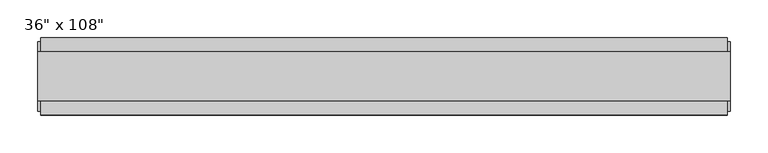
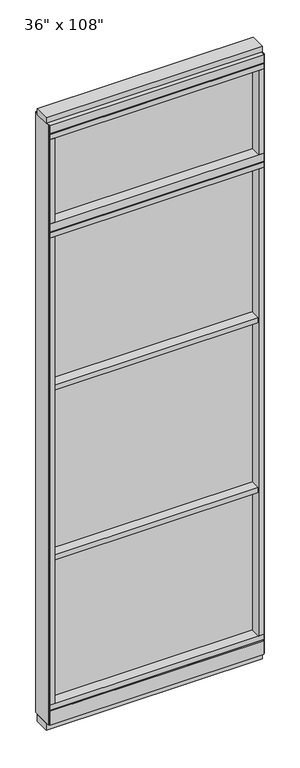
"""IFC4 building model written with IfcOpenShell, lengths in millimetres: furniture geometry."""

import ifcopenshell
import ifcopenshell.guid

model = None  # the IFC model being written
_history = None  # IfcOwnerHistory: only IFC2X3 demands one
_inside = {}  # id of a spatial element -> (the spatial element, [elements in it])
_under = {}  # id of a project, library or spatial element -> (it, [spatial elements below it])
_declared = {}  # id of a project -> (the project, [libraries it declares])
_typed = {}  # id of a type object -> (the type object, [elements of that type])
_made_of = {}  # id of a material, layer set ... -> (it, [elements and type objects made of it])


def new_model(schema):
    """Start an empty IFC model of exactly this schema.

    Asked for "IFC4X3", IfcOpenShell would pick the latest addendum, in which some entities
    have other attributes; the version numbers below select the first issue.
    IFC2X3 requires an IfcOwnerHistory on every rooted entity: one is made here for all.
    """
    global model, _history
    if schema == "IFC4X3":
        model = ifcopenshell.file(schema_version=(4, 3, 0, 0))
    else:
        model = ifcopenshell.file(schema=schema)
    _inside.clear()
    _under.clear()
    _declared.clear()
    _typed.clear()
    _made_of.clear()
    _history = None
    if model.schema == "IFC2X3":
        org = make("IfcOrganization", Name="unknown")
        user = make(
            "IfcPersonAndOrganization",
            ThePerson=make("IfcPerson", FamilyName="unknown"),
            TheOrganization=org,
        )
        app = make(
            "IfcApplication",
            ApplicationDeveloper=org,
            Version="unknown",
            ApplicationFullName="unknown",
            ApplicationIdentifier="unknown",
        )
        _history = make(
            "IfcOwnerHistory",
            OwningUser=user,
            OwningApplication=app,
            ChangeAction="ADDED",
            CreationDate=0,
        )
    return model


def make(cls, **values):
    """One entity of the class cls with the attributes given. An attribute that is None is left unset."""
    return model.create_entity(
        cls, **{name: value for name, value in values.items() if value is not None}
    )


def rooted(cls, **values):
    """An entity with a GlobalId (a new one), such as an element, a storey or a relation."""
    return make(cls, GlobalId=ifcopenshell.guid.new(), OwnerHistory=_history, **values)


def si_unit(unit_type, name, prefix=None):
    """IfcSIUnit, for example si_unit("LENGTHUNIT", "METRE", prefix="MILLI")."""
    return make("IfcSIUnit", UnitType=unit_type, Prefix=prefix, Name=name)


def assignment(units):
    """IfcUnitAssignment: the units of a project."""
    return None if units is None else make("IfcUnitAssignment", Units=units)


def point(xyz):
    """IfcCartesianPoint."""
    return None if xyz is None else make("IfcCartesianPoint", Coordinates=xyz)


def direction(xyz):
    """IfcDirection."""
    return None if xyz is None else make("IfcDirection", DirectionRatios=xyz)


def frame(location, z_axis=None, x_axis=None):
    """IfcAxis2Placement3D, a coordinate frame: its origin and axes. An axis left out is left unset."""
    return make(
        "IfcAxis2Placement3D",
        Location=point(location),
        Axis=direction(z_axis),
        RefDirection=direction(x_axis),
    )


def origin():
    """The frame at (0, 0, 0) with its axes left unset."""
    return frame((0.0, 0.0, 0.0))


def origin_with_axes():
    """The frame at (0, 0, 0) with the z axis (0, 0, 1) and the x axis (1, 0, 0) written out."""
    return frame((0.0, 0.0, 0.0), z_axis=(0.0, 0.0, 1.0), x_axis=(1.0, 0.0, 0.0))


def place(relative_to, where):
    """IfcLocalPlacement: puts the frame where relative to a parent placement (None: the world)."""
    return make(
        "IfcLocalPlacement", PlacementRelTo=relative_to, RelativePlacement=where
    )


def context(
    kind, dimensions, precision=None, world=None, true_north=None, identifier=None
):
    """IfcGeometricRepresentationContext, for example the 3D "Model" context."""
    return make(
        "IfcGeometricRepresentationContext",
        ContextIdentifier=identifier,
        ContextType=kind,
        CoordinateSpaceDimension=dimensions,
        Precision=precision,
        WorldCoordinateSystem=world,
        TrueNorth=true_north,
    )


def project(units=None, contexts=None):
    """IfcProject with its units and contexts."""
    return rooted(
        "IfcProject",
        Name="project",
        RepresentationContexts=contexts,
        UnitsInContext=assignment(units),
    )


def spatial(cls, under=None, at=None, **own):
    """A site, building, storey or space (cls), placed at a placement, below another one or the project."""
    s = rooted(cls, ObjectPlacement=at, **own)
    if under is not None:
        _under.setdefault(under.id(), (under, []))[1].append(s)
    return s


def polyline(points):
    """IfcPolyline through the points."""
    return make("IfcPolyline", Points=[point(p) for p in points])


def outline(outer, holes=None, kind="AREA"):
    """IfcArbitraryClosedProfileDef: a profile drawn as a closed curve; with holes, ...WithVoids."""
    if holes is None:
        return make("IfcArbitraryClosedProfileDef", ProfileType=kind, OuterCurve=outer)
    return make(
        "IfcArbitraryProfileDefWithVoids",
        ProfileType=kind,
        OuterCurve=outer,
        InnerCurves=holes,
    )


def extrude(swept, where, along, depth):
    """IfcExtrudedAreaSolid: the profile swept, set in the frame where, extruded along a direction by depth."""
    return make(
        "IfcExtrudedAreaSolid",
        SweptArea=swept,
        Position=where,
        ExtrudedDirection=direction(along),
        Depth=depth,
    )


def shape(context_of_items, identifier, shape_type, items):
    """IfcShapeRepresentation: the items that make up one representation, for example the "Body"."""
    return make(
        "IfcShapeRepresentation",
        ContextOfItems=context_of_items,
        RepresentationIdentifier=identifier,
        RepresentationType=shape_type,
        Items=items,
    )


def source(mapping_origin, context_of_items, identifier, shape_type, items):
    """IfcRepresentationMap: a shape defined once, which mapped items show again and again."""
    return make(
        "IfcRepresentationMap",
        MappingOrigin=mapping_origin,
        MappedRepresentation=shape(context_of_items, identifier, shape_type, items),
    )


def transform(
    local_origin,
    x_axis=None,
    y_axis=None,
    z_axis=None,
    scale=None,
    scale2=None,
    scale3=None,
    uniform=True,
):
    """IfcCartesianTransformationOperator3D, or its non-uniform kind. x_axis, y_axis, z_axis: its Axis1, 2, 3."""
    if uniform:
        return make(
            "IfcCartesianTransformationOperator3D",
            Axis1=direction(x_axis),
            Axis2=direction(y_axis),
            LocalOrigin=point(local_origin),
            Scale=scale,
            Axis3=direction(z_axis),
        )
    return make(
        "IfcCartesianTransformationOperator3DnonUniform",
        Axis1=direction(x_axis),
        Axis2=direction(y_axis),
        LocalOrigin=point(local_origin),
        Scale=scale,
        Axis3=direction(z_axis),
        Scale2=scale2,
        Scale3=scale3,
    )


def mapped(mapping_source, mapping_target):
    """IfcMappedItem: shows the shape of a source again, moved by a transform."""
    return make(
        "IfcMappedItem", MappingSource=mapping_source, MappingTarget=mapping_target
    )


def made_of(thing, what):
    """Note that an element or type object is made of a material, layer set ...; save() writes the relation."""
    if what is not None:
        _made_of.setdefault(what.id(), (what, []))[1].append(thing)
    return thing


def element(
    cls,
    number,
    at=None,
    inside=None,
    cuts=None,
    type_object=None,
    material=None,
    context=None,
    identifier="Body",
    shape_type=None,
    held_by="IfcProductDefinitionShape",
    body=None,
    shapes=None,
    **own,
):
    """One element of the class cls, such as IfcWall. Its Tag is "e" and its number.

    at: its placement. inside: the storey or other place that contains it. cuts: it is an
    opening in that element (IfcRelVoidsElement). A single representation is given by context,
    identifier, shape_type and body (its items); several are given by shapes. held_by: the class
    of the entity that holds the representations. save() writes the other relations.
    """
    e = rooted(cls, Tag="e%d" % number, ObjectPlacement=at, **own)
    if body is not None:
        shapes = [shape(context, identifier, shape_type, body)]
    if shapes is not None:
        e.Representation = make(held_by, Representations=shapes)
    if inside is not None:
        _inside.setdefault(inside.id(), (inside, []))[1].append(e)
    if cuts is not None:
        rooted(
            "IfcRelVoidsElement", RelatingBuildingElement=cuts, RelatedOpeningElement=e
        )
    if type_object is not None:
        _typed.setdefault(type_object.id(), (type_object, []))[1].append(e)
    return made_of(e, material)


def aggregate(whole, parts):
    """IfcRelAggregates: a whole, such as a stair, and the parts it consists of."""
    return rooted("IfcRelAggregates", RelatingObject=whole, RelatedObjects=parts)


def save(model, path):
    """Write the relations noted so far, then the file.

    IfcRelAggregates (storeys below a building ...), IfcRelContainedInSpatialStructure (elements
    in a storey), IfcRelDefinesByType, IfcRelAssociatesMaterial and IfcRelDeclares: one each for
    every whole, place, type object, material and project.
    """
    for whole, parts in _under.values():
        aggregate(whole, parts)
    for where, things in _inside.values():
        rooted(
            "IfcRelContainedInSpatialStructure",
            RelatedElements=things,
            RelatingStructure=where,
        )
    for kind, things in _typed.values():
        rooted("IfcRelDefinesByType", RelatedObjects=things, RelatingType=kind)
    for what, things in _made_of.values():
        rooted("IfcRelAssociatesMaterial", RelatedObjects=things, RelatingMaterial=what)
    for by, libraries in _declared.values():
        rooted("IfcRelDeclares", RelatingContext=by, RelatedDefinitions=libraries)
    model.write(path)


def furniture_b7783aea(model_context):
    return source(origin(), model_context, "Body", "SweptSolid", [
        extrude(outline(polyline([(371.0014771, -9.5977216), (-491.0745229, -9.5977216), (-491.0745229, 0.5622784), (371.0014771, 0.5622784), (371.0014771, -9.5977216)])), frame((0.0, 0.0, 2276.475), z_axis=(0.0, 0.0, 1.0), x_axis=(1.0, 0.0, 0.0)), (0.0, 0.0, 1.0), 355.6),
        extrude(outline(polyline([(-491.0745229, -52.3332216), (-491.0745229, 43.2977784), (371.0014771, 43.2977784), (371.0014771, -52.3332216), (-491.0745229, -52.3332216)])), frame((0.0, 0.0, 1524.0), z_axis=(0.0, 0.0, 1.0), x_axis=(1.0, 0.0, 0.0)), (0.0, 0.0, 1.0), 22.225),
        extrude(outline(polyline([(-491.0745229, -52.3332216), (-491.0745229, 43.2977784), (371.0014771, 43.2977784), (371.0014771, -52.3332216), (-491.0745229, -52.3332216)])), frame((0.0, 0.0, 762.0), z_axis=(0.0, 0.0, 1.0), x_axis=(1.0, 0.0, 0.0)), (0.0, 0.0, 1.0), 22.225),
        extrude(outline(polyline([(371.0014771, -9.5977216), (-491.0745229, -9.5977216), (-491.0745229, 0.5622784), (371.0014771, 0.5622784), (371.0014771, -9.5977216)])), frame((0.0, 0.0, 120.523), z_axis=(0.0, 0.0, 1.0), x_axis=(1.0, 0.0, 0.0)), (0.0, 0.0, 1.0), 2114.677),
        extrude(outline(polyline([(371.0014771, -55.3177216), (371.0014771, 46.2822784), (393.2264771, 46.2822784), (393.2264771, -55.3177216), (371.0014771, -55.3177216)])), frame((0.0, 0.0, 2276.475), z_axis=(0.0, 0.0, 1.0), x_axis=(1.0, 0.0, 0.0)), (0.0, 0.0, 1.0), 377.825),
        extrude(outline(polyline([(-55.3177216, 2240.153), (-55.3177216, 2276.475), (46.2822784, 2276.475), (46.2822784, 2240.153), (41.3292784, 2240.153), (41.3292784, 2235.2), (-50.3647216, 2235.2), (-50.3647216, 2240.153), (-55.3177216, 2240.153)])), frame((-513.2995229, 0.0, 0.0), z_axis=(1.0, 0.0, 0.0), x_axis=(0.0, 1.0, 0.0)), (0.0, 0.0, 1.0), 906.526),
        extrude(outline(polyline([(-491.0745229, -55.3177216), (-513.2995229, -55.3177216), (-513.2995229, 46.2822784), (-491.0745229, 46.2822784), (-491.0745229, -55.3177216)])), frame((0.0, 0.0, 2276.475), z_axis=(0.0, 0.0, 1.0), x_axis=(1.0, 0.0, 0.0)), (0.0, 0.0, 1.0), 377.825),
        extrude(outline(polyline([(-513.2995229, -55.3177216), (-513.2995229, 46.2822784), (393.2264771, 46.2822784), (393.2264771, -55.3177216), (-513.2995229, -55.3177216)])), frame((0.0, 0.0, 2212.975), z_axis=(0.0, 0.0, 1.0), x_axis=(1.0, 0.0, 0.0)), (0.0, 0.0, 1.0), 22.225),
        extrude(outline(polyline([(-55.3177216, 93.345), (-50.3647216, 93.345), (-50.3647216, 98.298), (41.3292784, 98.298), (41.3292784, 93.345), (46.2822784, 93.345), (46.2822784, 31.75), (-55.3177216, 31.75), (-55.3177216, 93.345)])), frame((-513.2995229, 0.0, 0.0), z_axis=(1.0, 0.0, 0.0), x_axis=(0.0, 1.0, 0.0)), (0.0, 0.0, 1.0), 906.526),
        extrude(outline(polyline([(-513.2995229, -55.3177216), (-513.2995229, 46.2822784), (393.2264771, 46.2822784), (393.2264771, -55.3177216), (-513.2995229, -55.3177216)])), frame((0.0, 0.0, 98.298), z_axis=(0.0, 0.0, 1.0), x_axis=(1.0, 0.0, 0.0)), (0.0, 0.0, 1.0), 22.225),
        extrude(outline(polyline([(397.1634771, 27.9942784), (397.1634771, -37.0297216), (-517.2365229, -37.0297216), (-517.2365229, 27.9942784), (397.1634771, 27.9942784)])), origin_with_axes(), (0.0, 0.0, 1.0), 31.75),
        extrude(outline(polyline([(-517.2365229, -37.0297216), (-517.2365229, 27.9942784), (397.1634771, 27.9942784), (397.1634771, -37.0297216), (-517.2365229, -37.0297216)])), frame((0.0, 0.0, 2717.8), z_axis=(0.0, 0.0, 1.0), x_axis=(1.0, 0.0, 0.0)), (0.0, 0.0, 1.0), 25.4),
        extrude(outline(polyline([(-55.3177216, 2681.478), (-55.3177216, 2717.8), (46.2822784, 2717.8), (46.2822784, 2681.478), (41.3292784, 2681.478), (41.3292784, 2676.525), (-50.3647216, 2676.525), (-50.3647216, 2681.478), (-55.3177216, 2681.478)])), frame((-513.2995229, 0.0, 0.0), z_axis=(1.0, 0.0, 0.0), x_axis=(0.0, 1.0, 0.0)), (0.0, 0.0, 1.0), 906.526),
        extrude(outline(polyline([(393.2264771, 46.2822784), (393.2264771, -55.3177216), (-513.2995229, -55.3177216), (-513.2995229, 46.2822784), (393.2264771, 46.2822784)])), frame((0.0, 0.0, 2654.3), z_axis=(0.0, 0.0, 1.0), x_axis=(1.0, 0.0, 0.0)), (0.0, 0.0, 1.0), 22.225),
        extrude(outline(polyline([(371.0014771, -55.3177216), (371.0014771, 46.2822784), (393.2264771, 46.2822784), (393.2264771, -55.3177216), (371.0014771, -55.3177216)])), frame((0.0, 0.0, 120.523), z_axis=(0.0, 0.0, 1.0), x_axis=(1.0, 0.0, 0.0)), (0.0, 0.0, 1.0), 2092.452),
        extrude(outline(polyline([(-491.0745229, -55.3177216), (-513.2995229, -55.3177216), (-513.2995229, 46.2822784), (-491.0745229, 46.2822784), (-491.0745229, -55.3177216)])), frame((0.0, 0.0, 120.523), z_axis=(0.0, 0.0, 1.0), x_axis=(1.0, 0.0, 0.0)), (0.0, 0.0, 1.0), 2092.452),
        extrude(outline(polyline([(397.1634771, -50.3647216), (393.2264771, -50.3647216), (393.2264771, 41.3292784), (397.1634771, 41.3292784), (397.1634771, -50.3647216)])), frame((0.0, 0.0, 31.75), z_axis=(0.0, 0.0, 1.0), x_axis=(1.0, 0.0, 0.0)), (0.0, 0.0, 1.0), 2686.05),
        extrude(outline(polyline([(-517.2365229, -50.3647216), (-517.2365229, 41.3292784), (-513.2995229, 41.3292784), (-513.2995229, -50.3647216), (-517.2365229, -50.3647216)])), frame((0.0, 0.0, 31.75), z_axis=(0.0, 0.0, 1.0), x_axis=(1.0, 0.0, 0.0)), (0.0, 0.0, 1.0), 2686.05),
    ])


if __name__ == "__main__":
    model = new_model("IFC4")
    model_context = context("Model", 3, world=origin())
    ifc_project = project(units=[si_unit("LENGTHUNIT", "METRE", prefix="MILLI")], contexts=[model_context])
    site = spatial("IfcSite", under=ifc_project)
    building = spatial("IfcBuilding", under=site)
    placement = place(None, origin())
    furniture_shape = furniture_b7783aea(model_context)
    element("IfcFurniture", 1, ObjectType="36\" x 108\"", at=placement, inside=building, context=model_context, shape_type="MappedRepresentation", body=[
        mapped(furniture_shape, transform((0.0, 0.0, 0.0), x_axis=(1.0, 0.0, 0.0), y_axis=(0.0, 1.0, 0.0), z_axis=(0.0, 0.0, 1.0))),
    ])
    save(model, "model.ifc")
